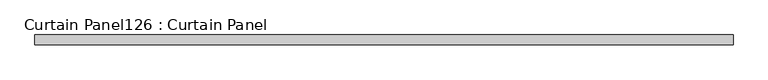
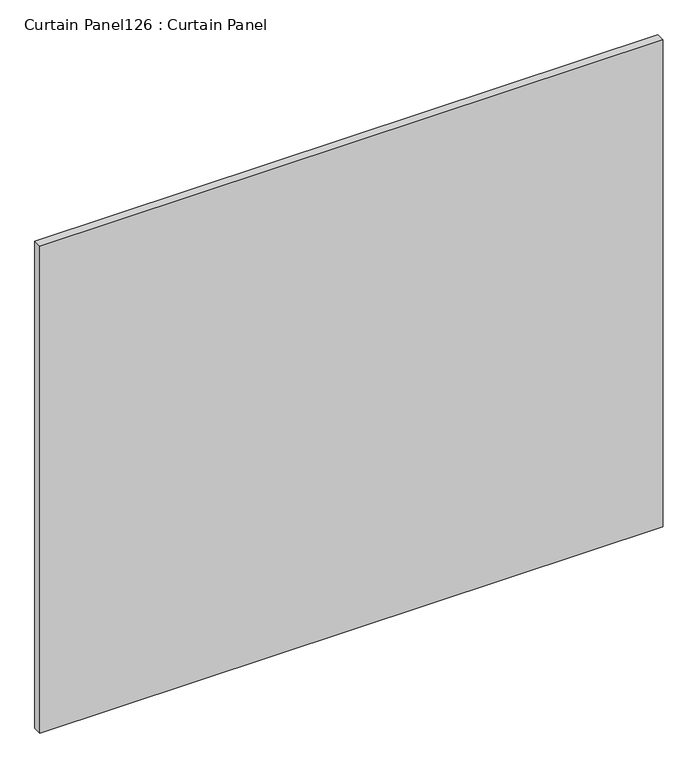
"""IFC4 building model written with IfcOpenShell, lengths in millimetres: plate geometry, Curtain Panel126 : Curtain Panel."""

import ifcopenshell
import ifcopenshell.guid

model = None  # the IFC model being written
_history = None  # IfcOwnerHistory: only IFC2X3 demands one
_inside = {}  # id of a spatial element -> (the spatial element, [elements in it])
_under = {}  # id of a project, library or spatial element -> (it, [spatial elements below it])
_declared = {}  # id of a project -> (the project, [libraries it declares])
_typed = {}  # id of a type object -> (the type object, [elements of that type])
_made_of = {}  # id of a material, layer set ... -> (it, [elements and type objects made of it])


def new_model(schema):
    """Start an empty IFC model of exactly this schema.

    Asked for "IFC4X3", IfcOpenShell would pick the latest addendum, in which some entities
    have other attributes; the version numbers below select the first issue.
    IFC2X3 requires an IfcOwnerHistory on every rooted entity: one is made here for all.
    """
    global model, _history
    if schema == "IFC4X3":
        model = ifcopenshell.file(schema_version=(4, 3, 0, 0))
    else:
        model = ifcopenshell.file(schema=schema)
    _inside.clear()
    _under.clear()
    _declared.clear()
    _typed.clear()
    _made_of.clear()
    _history = None
    if model.schema == "IFC2X3":
        org = make("IfcOrganization", Name="unknown")
        user = make(
            "IfcPersonAndOrganization",
            ThePerson=make("IfcPerson", FamilyName="unknown"),
            TheOrganization=org,
        )
        app = make(
            "IfcApplication",
            ApplicationDeveloper=org,
            Version="unknown",
            ApplicationFullName="unknown",
            ApplicationIdentifier="unknown",
        )
        _history = make(
            "IfcOwnerHistory",
            OwningUser=user,
            OwningApplication=app,
            ChangeAction="ADDED",
            CreationDate=0,
        )
    return model


def make(cls, **values):
    """One entity of the class cls with the attributes given. An attribute that is None is left unset."""
    return model.create_entity(
        cls, **{name: value for name, value in values.items() if value is not None}
    )


def rooted(cls, **values):
    """An entity with a GlobalId (a new one), such as an element, a storey or a relation."""
    return make(cls, GlobalId=ifcopenshell.guid.new(), OwnerHistory=_history, **values)


def si_unit(unit_type, name, prefix=None):
    """IfcSIUnit, for example si_unit("LENGTHUNIT", "METRE", prefix="MILLI")."""
    return make("IfcSIUnit", UnitType=unit_type, Prefix=prefix, Name=name)


def assignment(units):
    """IfcUnitAssignment: the units of a project."""
    return None if units is None else make("IfcUnitAssignment", Units=units)


def point(xyz):
    """IfcCartesianPoint."""
    return None if xyz is None else make("IfcCartesianPoint", Coordinates=xyz)


def direction(xyz):
    """IfcDirection."""
    return None if xyz is None else make("IfcDirection", DirectionRatios=xyz)


def frame(location, z_axis=None, x_axis=None):
    """IfcAxis2Placement3D, a coordinate frame: its origin and axes. An axis left out is left unset."""
    return make(
        "IfcAxis2Placement3D",
        Location=point(location),
        Axis=direction(z_axis),
        RefDirection=direction(x_axis),
    )


def origin():
    """The frame at (0, 0, 0) with its axes left unset."""
    return frame((0.0, 0.0, 0.0))


def place(relative_to, where):
    """IfcLocalPlacement: puts the frame where relative to a parent placement (None: the world)."""
    return make(
        "IfcLocalPlacement", PlacementRelTo=relative_to, RelativePlacement=where
    )


def context(
    kind, dimensions, precision=None, world=None, true_north=None, identifier=None
):
    """IfcGeometricRepresentationContext, for example the 3D "Model" context."""
    return make(
        "IfcGeometricRepresentationContext",
        ContextIdentifier=identifier,
        ContextType=kind,
        CoordinateSpaceDimension=dimensions,
        Precision=precision,
        WorldCoordinateSystem=world,
        TrueNorth=true_north,
    )


def project(units=None, contexts=None):
    """IfcProject with its units and contexts."""
    return rooted(
        "IfcProject",
        Name="project",
        RepresentationContexts=contexts,
        UnitsInContext=assignment(units),
    )


def spatial(cls, under=None, at=None, **own):
    """A site, building, storey or space (cls), placed at a placement, below another one or the project."""
    s = rooted(cls, ObjectPlacement=at, **own)
    if under is not None:
        _under.setdefault(under.id(), (under, []))[1].append(s)
    return s


def polyline(points):
    """IfcPolyline through the points."""
    return make("IfcPolyline", Points=[point(p) for p in points])


def outline(outer, holes=None, kind="AREA"):
    """IfcArbitraryClosedProfileDef: a profile drawn as a closed curve; with holes, ...WithVoids."""
    if holes is None:
        return make("IfcArbitraryClosedProfileDef", ProfileType=kind, OuterCurve=outer)
    return make(
        "IfcArbitraryProfileDefWithVoids",
        ProfileType=kind,
        OuterCurve=outer,
        InnerCurves=holes,
    )


def extrude(swept, where, along, depth):
    """IfcExtrudedAreaSolid: the profile swept, set in the frame where, extruded along a direction by depth."""
    return make(
        "IfcExtrudedAreaSolid",
        SweptArea=swept,
        Position=where,
        ExtrudedDirection=direction(along),
        Depth=depth,
    )


def shape(context_of_items, identifier, shape_type, items):
    """IfcShapeRepresentation: the items that make up one representation, for example the "Body"."""
    return make(
        "IfcShapeRepresentation",
        ContextOfItems=context_of_items,
        RepresentationIdentifier=identifier,
        RepresentationType=shape_type,
        Items=items,
    )


def source(mapping_origin, context_of_items, identifier, shape_type, items):
    """IfcRepresentationMap: a shape defined once, which mapped items show again and again."""
    return make(
        "IfcRepresentationMap",
        MappingOrigin=mapping_origin,
        MappedRepresentation=shape(context_of_items, identifier, shape_type, items),
    )


def transform(
    local_origin,
    x_axis=None,
    y_axis=None,
    z_axis=None,
    scale=None,
    scale2=None,
    scale3=None,
    uniform=True,
):
    """IfcCartesianTransformationOperator3D, or its non-uniform kind. x_axis, y_axis, z_axis: its Axis1, 2, 3."""
    if uniform:
        return make(
            "IfcCartesianTransformationOperator3D",
            Axis1=direction(x_axis),
            Axis2=direction(y_axis),
            LocalOrigin=point(local_origin),
            Scale=scale,
            Axis3=direction(z_axis),
        )
    return make(
        "IfcCartesianTransformationOperator3DnonUniform",
        Axis1=direction(x_axis),
        Axis2=direction(y_axis),
        LocalOrigin=point(local_origin),
        Scale=scale,
        Axis3=direction(z_axis),
        Scale2=scale2,
        Scale3=scale3,
    )


def mapped(mapping_source, mapping_target):
    """IfcMappedItem: shows the shape of a source again, moved by a transform."""
    return make(
        "IfcMappedItem", MappingSource=mapping_source, MappingTarget=mapping_target
    )


def made_of(thing, what):
    """Note that an element or type object is made of a material, layer set ...; save() writes the relation."""
    if what is not None:
        _made_of.setdefault(what.id(), (what, []))[1].append(thing)
    return thing


def element(
    cls,
    number,
    at=None,
    inside=None,
    cuts=None,
    type_object=None,
    material=None,
    context=None,
    identifier="Body",
    shape_type=None,
    held_by="IfcProductDefinitionShape",
    body=None,
    shapes=None,
    **own,
):
    """One element of the class cls, such as IfcWall. Its Tag is "e" and its number.

    at: its placement. inside: the storey or other place that contains it. cuts: it is an
    opening in that element (IfcRelVoidsElement). A single representation is given by context,
    identifier, shape_type and body (its items); several are given by shapes. held_by: the class
    of the entity that holds the representations. save() writes the other relations.
    """
    e = rooted(cls, Tag="e%d" % number, ObjectPlacement=at, **own)
    if body is not None:
        shapes = [shape(context, identifier, shape_type, body)]
    if shapes is not None:
        e.Representation = make(held_by, Representations=shapes)
    if inside is not None:
        _inside.setdefault(inside.id(), (inside, []))[1].append(e)
    if cuts is not None:
        rooted(
            "IfcRelVoidsElement", RelatingBuildingElement=cuts, RelatedOpeningElement=e
        )
    if type_object is not None:
        _typed.setdefault(type_object.id(), (type_object, []))[1].append(e)
    return made_of(e, material)


def aggregate(whole, parts):
    """IfcRelAggregates: a whole, such as a stair, and the parts it consists of."""
    return rooted("IfcRelAggregates", RelatingObject=whole, RelatedObjects=parts)


def save(model, path):
    """Write the relations noted so far, then the file.

    IfcRelAggregates (storeys below a building ...), IfcRelContainedInSpatialStructure (elements
    in a storey), IfcRelDefinesByType, IfcRelAssociatesMaterial and IfcRelDeclares: one each for
    every whole, place, type object, material and project.
    """
    for whole, parts in _under.values():
        aggregate(whole, parts)
    for where, things in _inside.values():
        rooted(
            "IfcRelContainedInSpatialStructure",
            RelatedElements=things,
            RelatingStructure=where,
        )
    for kind, things in _typed.values():
        rooted("IfcRelDefinesByType", RelatedObjects=things, RelatingType=kind)
    for what, things in _made_of.values():
        rooted("IfcRelAssociatesMaterial", RelatedObjects=things, RelatingMaterial=what)
    for by, libraries in _declared.values():
        rooted("IfcRelDeclares", RelatingContext=by, RelatedDefinitions=libraries)
    model.write(path)


def curtain_panel126_curtain_panel_337f61e2(model_context):
    return source(origin(), model_context, "Body", "SweptSolid", [
        extrude(outline(polyline([(282998.9063541, 2417.6234836), (281170.1063541, 2417.6234836), (281170.1063541, 2443.0234836), (282998.9063541, 2443.0234836), (282998.9063541, 2417.6234836)])), frame((0.0, 0.0, 6452.3416556), z_axis=(0.0, 0.0, 1.0), x_axis=(1.0, 0.0, 0.0)), (0.0, 0.0, 1.0), 1509.8832781),
    ])


if __name__ == "__main__":
    model = new_model("IFC4")
    model_context = context("Model", 3, world=origin())
    ifc_project = project(units=[si_unit("LENGTHUNIT", "METRE", prefix="MILLI")], contexts=[model_context])
    site = spatial("IfcSite", under=ifc_project)
    building = spatial("IfcBuilding", under=site)
    placement = place(None, origin())
    curtain_panel126_curtain_panel_shape = curtain_panel126_curtain_panel_337f61e2(model_context)
    element("IfcPlate", 1, ObjectType="Curtain Panel126 : Curtain Panel", at=placement, inside=building, context=model_context, shape_type="MappedRepresentation", body=[
        mapped(curtain_panel126_curtain_panel_shape, transform((0.0, 0.0, 0.0), x_axis=(1.0, 0.0, 0.0), y_axis=(0.0, 1.0, 0.0), z_axis=(0.0, 0.0, 1.0))),
    ])
    save(model, "model.ifc")
